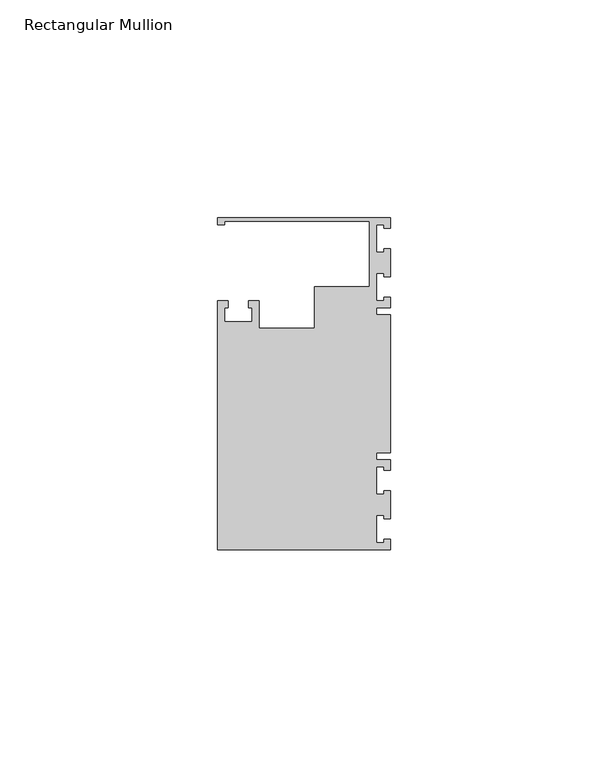
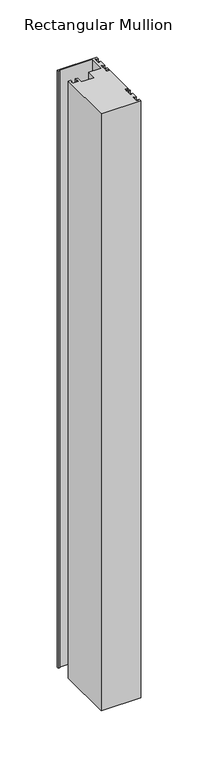
"""IFC4 building model written with IfcOpenShell, lengths in millimetres: member geometry, Rectangular Mullion."""

from ifc_helpers import new_model, si_unit, frame, origin, place, context, project, spatial, polyline, outline, extrude, source, transform, mapped, element, save


def rectangular_mullion_99588345(model_context):
    return source(origin(), model_context, "Body", "SweptSolid", [
        extrude(outline(polyline([(0.0, 38.1), (0.0, 35.71875), (-1.4999946, 35.71875), (-1.4999946, 36.5125), (-3.175, 36.5125), (-3.175, 30.1625), (-1.4999946, 30.1625), (-1.4999946, 30.95625), (0.0, 30.95625), (0.0, 24.60625), (-1.4999946, 24.60625), (-1.4999946, 25.4), (-3.175, 25.4), (-3.175, 19.05), (-1.4999946, 19.05), (-1.4999946, 19.84375), (0.0, 19.84375), (0.0, 17.4625), (-3.175, 17.4625), (-3.175, 15.875), (0.0, 15.875), (0.0, -15.875), (-3.175, -15.875), (-3.175, -17.4625), (0.0, -17.4625), (0.0, -19.84375), (-1.4999946, -19.84375), (-1.4999946, -19.05), (-3.175, -19.05), (-3.175, -25.4), (-1.4999946, -25.4), (-1.4999946, -24.60625), (0.0, -24.60625), (0.0, -30.95625), (-1.4999946, -30.95625), (-1.4999946, -30.1625), (-3.175, -30.1625), (-3.175, -36.5125), (-1.4999946, -36.5125), (-1.4999946, -35.71875), (0.0, -35.71875), (0.0, -38.1), (-39.6875, -38.1), (-39.6875, 19.05), (-37.30625, 19.05), (-37.30625, 17.4625), (-38.1, 17.4625), (-38.1, 14.2875), (-31.75, 14.2875), (-31.75, 17.4625), (-32.54375, 17.4625), (-32.54375, 19.05), (-30.1625, 19.05), (-30.1625, 12.6999969), (-17.4625, 12.6999969), (-17.4625, 22.225), (-4.8585733, 22.225), (-4.8585733, 37.30625), (-38.1, 37.30625), (-38.1, 36.5125), (-39.6875, 36.5125), (-39.6875, 38.1), (0.0, 38.1)])), frame((0.0, 0.0, -635.0), z_axis=(0.0, 0.0, 1.0), x_axis=(1.0, 0.0, 0.0)), (0.0, 0.0, 1.0), 635.0),
    ])


if __name__ == "__main__":
    model = new_model("IFC4")
    model_context = context("Model", 3, world=origin())
    ifc_project = project(units=[si_unit("LENGTHUNIT", "METRE", prefix="MILLI")], contexts=[model_context])
    site = spatial("IfcSite", under=ifc_project)
    building = spatial("IfcBuilding", under=site)
    placement = place(None, origin())
    rectangular_mullion_shape = rectangular_mullion_99588345(model_context)
    element("IfcMember", 1, ObjectType="Rectangular Mullion", at=placement, inside=building, context=model_context, shape_type="MappedRepresentation", body=[
        mapped(rectangular_mullion_shape, transform((0.0, 0.0, 0.0), x_axis=(1.0, 0.0, 0.0), y_axis=(0.0, 1.0, 0.0), z_axis=(0.0, 0.0, 1.0))),
    ])
    save(model, "model.ifc")
